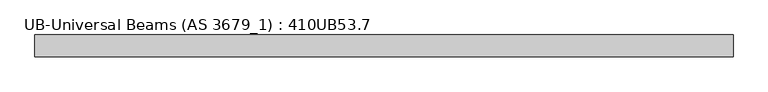
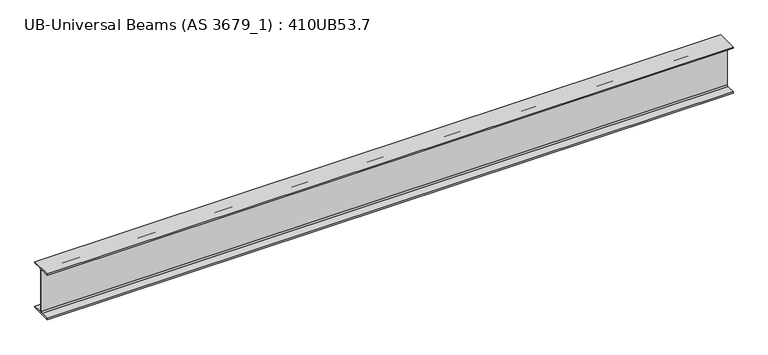
"""IFC4 building model written with IfcOpenShell, lengths in millimetres: beam geometry, UB-Universal Beams (AS 3679_1) : 410UB53.7."""

from ifc_helpers import new_model, si_unit, point, frame, frame_2d, origin, place, context, project, spatial, polyline, circle_curve, trimmed, segment, composite_curve, outline, extrude, source, transform, mapped, element, save


def ub_universal_beams_as_3679_1_410ub53_7_2265ba3b(model_context):
    return source(origin(), model_context, "Body", "SweptSolid", [
        extrude(outline(composite_curve([segment(polyline([(89.0, -190.4), (89.0, -201.3), (-89.0, -201.3), (-89.0, -190.4), (-15.2, -190.4)]), True, "CONTINUOUS"), segment(trimmed(circle_curve(frame_2d((-15.2, -179.0)), 11.4), [point((-15.2, -190.4))], [point((-3.8, -179.0))], True, "CARTESIAN"), True, "CONTINUOUS"), segment(polyline([(-3.8, -179.0), (-3.8, 179.0)]), True, "CONTINUOUS"), segment(trimmed(circle_curve(frame_2d((-15.2, 179.0)), 11.4), [point((-3.8, 179.0))], [point((-15.2, 190.4))], True, "CARTESIAN"), True, "CONTINUOUS"), segment(polyline([(-15.2, 190.4), (-89.0, 190.4), (-89.0, 201.3), (89.0, 201.3), (89.0, 190.4), (15.2, 190.4)]), True, "CONTINUOUS"), segment(trimmed(circle_curve(frame_2d((15.2, 179.0)), 11.4), [point((15.2, 190.4))], [point((3.8, 179.0))], True, "CARTESIAN"), True, "CONTINUOUS"), segment(polyline([(3.8, 179.0), (3.8, -179.0)]), True, "CONTINUOUS"), segment(trimmed(circle_curve(frame_2d((15.2, -179.0)), 11.4), [point((3.8, -179.0))], [point((15.2, -190.4))], True, "CARTESIAN"), True, "CONTINUOUS"), segment(polyline([(15.2, -190.4), (89.0, -190.4)]), True, "CONTINUOUS")], self_intersect=False)), frame((-2845.7, 0.0, 0.0), z_axis=(1.0, 0.0, 0.0), x_axis=(0.0, 1.0, 0.0)), (0.0, 0.0, 1.0), 5691.4),
    ])


if __name__ == "__main__":
    model = new_model("IFC4")
    model_context = context("Model", 3, world=origin())
    ifc_project = project(units=[si_unit("LENGTHUNIT", "METRE", prefix="MILLI")], contexts=[model_context])
    site = spatial("IfcSite", under=ifc_project)
    building = spatial("IfcBuilding", under=site)
    placement = place(None, origin())
    ub_universal_beams_as_3679_1_410ub53_7_shape = ub_universal_beams_as_3679_1_410ub53_7_2265ba3b(model_context)
    element("IfcBeam", 1, ObjectType="UB-Universal Beams (AS 3679_1) : 410UB53.7", at=placement, inside=building, context=model_context, shape_type="MappedRepresentation", body=[
        mapped(ub_universal_beams_as_3679_1_410ub53_7_shape, transform((0.0, 0.0, 0.0), x_axis=(1.0, 0.0, 0.0), y_axis=(0.0, 1.0, 0.0), z_axis=(0.0, 0.0, 1.0))),
    ])
    save(model, "model.ifc")
